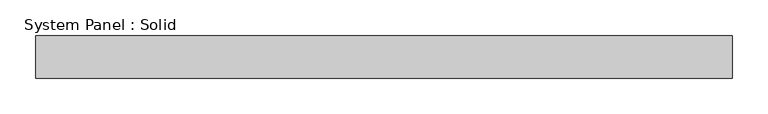
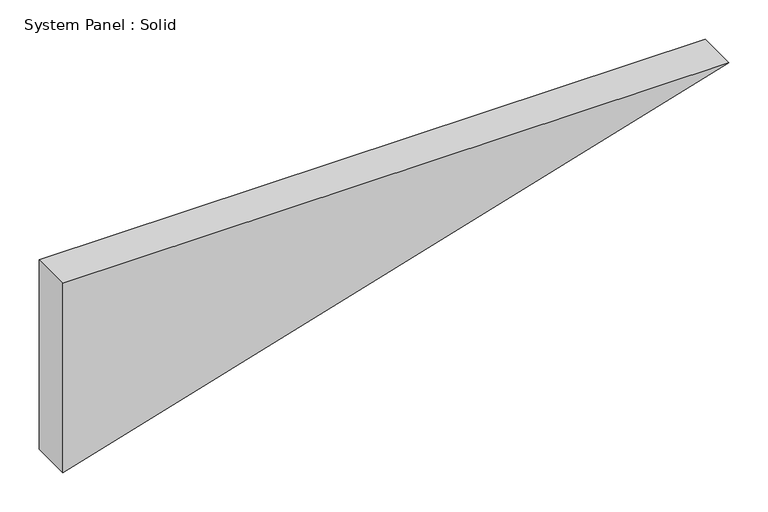
"""IFC4 building model written with IfcOpenShell, lengths in millimetres: plate geometry, System Panel : Solid."""

from ifc_helpers import new_model, si_unit, frame, origin, place, context, project, spatial, polyline, outline, extrude, source, transform, mapped, element, save


def system_panel_solid_61e2c1fe(model_context):
    return source(origin(), model_context, "Body", "SweptSolid", [
        extrude(outline(polyline([(294.7466971, -490.2905527), (0.0, -490.2905527), (294.7466971, 490.2905527), (294.7466971, -490.2905527)])), frame((0.0, -10.5, 0.0), z_axis=(0.0, 1.0, 0.0), x_axis=(0.0, 0.0, 1.0)), (0.0, 0.0, 1.0), 60.0),
    ])


if __name__ == "__main__":
    model = new_model("IFC4")
    model_context = context("Model", 3, world=origin())
    ifc_project = project(units=[si_unit("LENGTHUNIT", "METRE", prefix="MILLI")], contexts=[model_context])
    site = spatial("IfcSite", under=ifc_project)
    building = spatial("IfcBuilding", under=site)
    placement = place(None, origin())
    system_panel_solid_shape = system_panel_solid_61e2c1fe(model_context)
    element("IfcPlate", 1, ObjectType="System Panel : Solid", at=placement, inside=building, context=model_context, shape_type="MappedRepresentation", body=[
        mapped(system_panel_solid_shape, transform((0.0, 0.0, 0.0), x_axis=(1.0, 0.0, 0.0), y_axis=(0.0, 1.0, 0.0), z_axis=(0.0, 0.0, 1.0))),
    ])
    save(model, "model.ifc")
